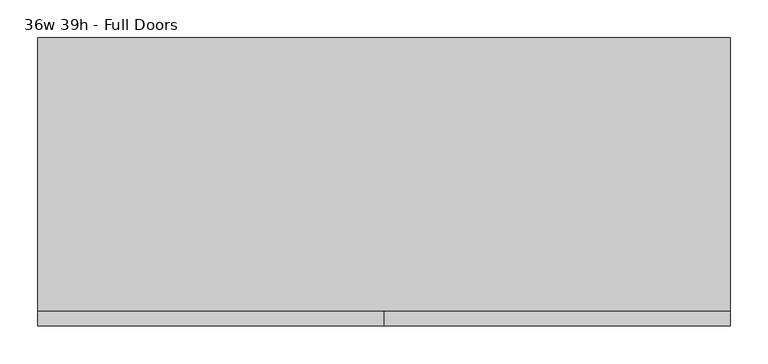
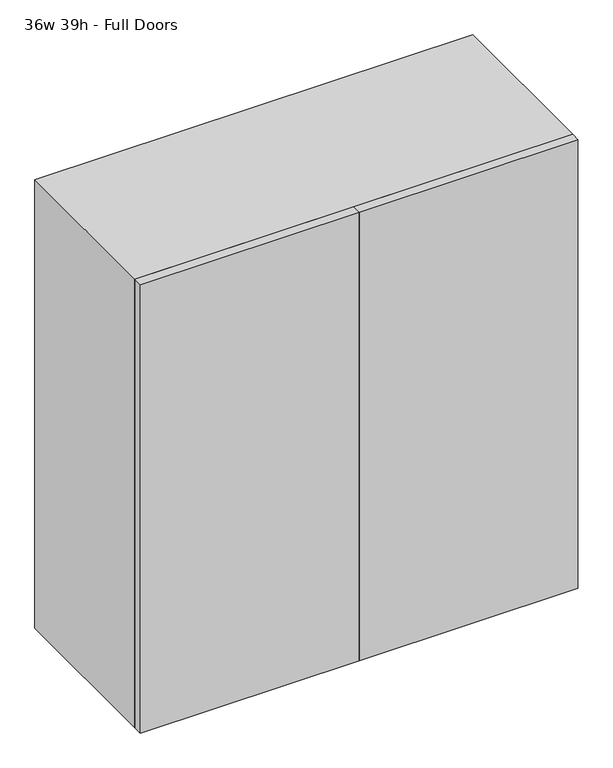
"""IFC4 building model written with IfcOpenShell, lengths in millimetres: furniture geometry, 36w 39h - Full Doors."""

import ifcopenshell
import ifcopenshell.guid

model = None  # the IFC model being written
_history = None  # IfcOwnerHistory: only IFC2X3 demands one
_inside = {}  # id of a spatial element -> (the spatial element, [elements in it])
_under = {}  # id of a project, library or spatial element -> (it, [spatial elements below it])
_declared = {}  # id of a project -> (the project, [libraries it declares])
_typed = {}  # id of a type object -> (the type object, [elements of that type])
_made_of = {}  # id of a material, layer set ... -> (it, [elements and type objects made of it])


def new_model(schema):
    """Start an empty IFC model of exactly this schema.

    Asked for "IFC4X3", IfcOpenShell would pick the latest addendum, in which some entities
    have other attributes; the version numbers below select the first issue.
    IFC2X3 requires an IfcOwnerHistory on every rooted entity: one is made here for all.
    """
    global model, _history
    if schema == "IFC4X3":
        model = ifcopenshell.file(schema_version=(4, 3, 0, 0))
    else:
        model = ifcopenshell.file(schema=schema)
    _inside.clear()
    _under.clear()
    _declared.clear()
    _typed.clear()
    _made_of.clear()
    _history = None
    if model.schema == "IFC2X3":
        org = make("IfcOrganization", Name="unknown")
        user = make(
            "IfcPersonAndOrganization",
            ThePerson=make("IfcPerson", FamilyName="unknown"),
            TheOrganization=org,
        )
        app = make(
            "IfcApplication",
            ApplicationDeveloper=org,
            Version="unknown",
            ApplicationFullName="unknown",
            ApplicationIdentifier="unknown",
        )
        _history = make(
            "IfcOwnerHistory",
            OwningUser=user,
            OwningApplication=app,
            ChangeAction="ADDED",
            CreationDate=0,
        )
    return model


def make(cls, **values):
    """One entity of the class cls with the attributes given. An attribute that is None is left unset."""
    return model.create_entity(
        cls, **{name: value for name, value in values.items() if value is not None}
    )


def rooted(cls, **values):
    """An entity with a GlobalId (a new one), such as an element, a storey or a relation."""
    return make(cls, GlobalId=ifcopenshell.guid.new(), OwnerHistory=_history, **values)


def si_unit(unit_type, name, prefix=None):
    """IfcSIUnit, for example si_unit("LENGTHUNIT", "METRE", prefix="MILLI")."""
    return make("IfcSIUnit", UnitType=unit_type, Prefix=prefix, Name=name)


def assignment(units):
    """IfcUnitAssignment: the units of a project."""
    return None if units is None else make("IfcUnitAssignment", Units=units)


def point(xyz):
    """IfcCartesianPoint."""
    return None if xyz is None else make("IfcCartesianPoint", Coordinates=xyz)


def direction(xyz):
    """IfcDirection."""
    return None if xyz is None else make("IfcDirection", DirectionRatios=xyz)


def frame(location, z_axis=None, x_axis=None):
    """IfcAxis2Placement3D, a coordinate frame: its origin and axes. An axis left out is left unset."""
    return make(
        "IfcAxis2Placement3D",
        Location=point(location),
        Axis=direction(z_axis),
        RefDirection=direction(x_axis),
    )


def origin():
    """The frame at (0, 0, 0) with its axes left unset."""
    return frame((0.0, 0.0, 0.0))


def place(relative_to, where):
    """IfcLocalPlacement: puts the frame where relative to a parent placement (None: the world)."""
    return make(
        "IfcLocalPlacement", PlacementRelTo=relative_to, RelativePlacement=where
    )


def context(
    kind, dimensions, precision=None, world=None, true_north=None, identifier=None
):
    """IfcGeometricRepresentationContext, for example the 3D "Model" context."""
    return make(
        "IfcGeometricRepresentationContext",
        ContextIdentifier=identifier,
        ContextType=kind,
        CoordinateSpaceDimension=dimensions,
        Precision=precision,
        WorldCoordinateSystem=world,
        TrueNorth=true_north,
    )


def project(units=None, contexts=None):
    """IfcProject with its units and contexts."""
    return rooted(
        "IfcProject",
        Name="project",
        RepresentationContexts=contexts,
        UnitsInContext=assignment(units),
    )


def spatial(cls, under=None, at=None, **own):
    """A site, building, storey or space (cls), placed at a placement, below another one or the project."""
    s = rooted(cls, ObjectPlacement=at, **own)
    if under is not None:
        _under.setdefault(under.id(), (under, []))[1].append(s)
    return s


def polyline(points):
    """IfcPolyline through the points."""
    return make("IfcPolyline", Points=[point(p) for p in points])


def outline(outer, holes=None, kind="AREA"):
    """IfcArbitraryClosedProfileDef: a profile drawn as a closed curve; with holes, ...WithVoids."""
    if holes is None:
        return make("IfcArbitraryClosedProfileDef", ProfileType=kind, OuterCurve=outer)
    return make(
        "IfcArbitraryProfileDefWithVoids",
        ProfileType=kind,
        OuterCurve=outer,
        InnerCurves=holes,
    )


def extrude(swept, where, along, depth):
    """IfcExtrudedAreaSolid: the profile swept, set in the frame where, extruded along a direction by depth."""
    return make(
        "IfcExtrudedAreaSolid",
        SweptArea=swept,
        Position=where,
        ExtrudedDirection=direction(along),
        Depth=depth,
    )


def shape(context_of_items, identifier, shape_type, items):
    """IfcShapeRepresentation: the items that make up one representation, for example the "Body"."""
    return make(
        "IfcShapeRepresentation",
        ContextOfItems=context_of_items,
        RepresentationIdentifier=identifier,
        RepresentationType=shape_type,
        Items=items,
    )


def source(mapping_origin, context_of_items, identifier, shape_type, items):
    """IfcRepresentationMap: a shape defined once, which mapped items show again and again."""
    return make(
        "IfcRepresentationMap",
        MappingOrigin=mapping_origin,
        MappedRepresentation=shape(context_of_items, identifier, shape_type, items),
    )


def transform(
    local_origin,
    x_axis=None,
    y_axis=None,
    z_axis=None,
    scale=None,
    scale2=None,
    scale3=None,
    uniform=True,
):
    """IfcCartesianTransformationOperator3D, or its non-uniform kind. x_axis, y_axis, z_axis: its Axis1, 2, 3."""
    if uniform:
        return make(
            "IfcCartesianTransformationOperator3D",
            Axis1=direction(x_axis),
            Axis2=direction(y_axis),
            LocalOrigin=point(local_origin),
            Scale=scale,
            Axis3=direction(z_axis),
        )
    return make(
        "IfcCartesianTransformationOperator3DnonUniform",
        Axis1=direction(x_axis),
        Axis2=direction(y_axis),
        LocalOrigin=point(local_origin),
        Scale=scale,
        Axis3=direction(z_axis),
        Scale2=scale2,
        Scale3=scale3,
    )


def mapped(mapping_source, mapping_target):
    """IfcMappedItem: shows the shape of a source again, moved by a transform."""
    return make(
        "IfcMappedItem", MappingSource=mapping_source, MappingTarget=mapping_target
    )


def made_of(thing, what):
    """Note that an element or type object is made of a material, layer set ...; save() writes the relation."""
    if what is not None:
        _made_of.setdefault(what.id(), (what, []))[1].append(thing)
    return thing


def element(
    cls,
    number,
    at=None,
    inside=None,
    cuts=None,
    type_object=None,
    material=None,
    context=None,
    identifier="Body",
    shape_type=None,
    held_by="IfcProductDefinitionShape",
    body=None,
    shapes=None,
    **own,
):
    """One element of the class cls, such as IfcWall. Its Tag is "e" and its number.

    at: its placement. inside: the storey or other place that contains it. cuts: it is an
    opening in that element (IfcRelVoidsElement). A single representation is given by context,
    identifier, shape_type and body (its items); several are given by shapes. held_by: the class
    of the entity that holds the representations. save() writes the other relations.
    """
    e = rooted(cls, Tag="e%d" % number, ObjectPlacement=at, **own)
    if body is not None:
        shapes = [shape(context, identifier, shape_type, body)]
    if shapes is not None:
        e.Representation = make(held_by, Representations=shapes)
    if inside is not None:
        _inside.setdefault(inside.id(), (inside, []))[1].append(e)
    if cuts is not None:
        rooted(
            "IfcRelVoidsElement", RelatingBuildingElement=cuts, RelatedOpeningElement=e
        )
    if type_object is not None:
        _typed.setdefault(type_object.id(), (type_object, []))[1].append(e)
    return made_of(e, material)


def aggregate(whole, parts):
    """IfcRelAggregates: a whole, such as a stair, and the parts it consists of."""
    return rooted("IfcRelAggregates", RelatingObject=whole, RelatedObjects=parts)


def save(model, path):
    """Write the relations noted so far, then the file.

    IfcRelAggregates (storeys below a building ...), IfcRelContainedInSpatialStructure (elements
    in a storey), IfcRelDefinesByType, IfcRelAssociatesMaterial and IfcRelDeclares: one each for
    every whole, place, type object, material and project.
    """
    for whole, parts in _under.values():
        aggregate(whole, parts)
    for where, things in _inside.values():
        rooted(
            "IfcRelContainedInSpatialStructure",
            RelatedElements=things,
            RelatingStructure=where,
        )
    for kind, things in _typed.values():
        rooted("IfcRelDefinesByType", RelatedObjects=things, RelatingType=kind)
    for what, things in _made_of.values():
        rooted("IfcRelAssociatesMaterial", RelatedObjects=things, RelatingMaterial=what)
    for by, libraries in _declared.values():
        rooted("IfcRelDeclares", RelatingContext=by, RelatedDefinitions=libraries)
    model.write(path)


def furniture_36w_39h_full_doors_5e74c6d6(model_context):
    return source(origin(), model_context, "Body", "SweptSolid", [
        extrude(outline(polyline([(438.1569453, 161.925), (438.1569453, -180.975), (-438.1291641, -180.975), (-438.1291641, 161.925), (438.1569453, 161.925)])), frame((0.0, 0.0, 1393.825), z_axis=(0.0, 0.0, 1.0), x_axis=(1.0, 0.0, 0.0)), (0.0, 0.0, 1.0), 19.05),
        extrude(outline(polyline([(438.1569453, 161.925), (438.1569453, -180.975), (-438.1291641, -180.975), (-438.1291641, 161.925), (438.1569453, 161.925)])), frame((0.0, 0.0, 1050.925), z_axis=(0.0, 0.0, 1.0), x_axis=(1.0, 0.0, 0.0)), (0.0, 0.0, 1.0), 19.05),
        extrude(outline(polyline([(0.0138906, -200.025), (0.0138906, -180.975), (457.2138906, -180.975), (457.2138906, -200.025), (0.0138906, -200.025)])), frame((0.0, 0.0, 736.6), z_axis=(0.0, 0.0, 1.0), x_axis=(1.0, 0.0, 0.0)), (0.0, 0.0, 1.0), 990.6),
        extrude(outline(polyline([(0.0138906, -200.025), (-457.1861094, -200.025), (-457.1861094, -180.975), (0.0138906, -180.975), (0.0138906, -200.025)])), frame((0.0, 0.0, 736.6), z_axis=(0.0, 0.0, 1.0), x_axis=(1.0, 0.0, 0.0)), (0.0, 0.0, 1.0), 990.6),
        extrude(outline(polyline([(736.6, -457.1861094), (736.6, 457.2138906), (1727.2, 457.2138906), (1727.2, -457.1861094), (736.6, -457.1861094)]), holes=[polyline([(755.65, -438.1361094), (1708.15, -438.1361094), (1708.15, 438.1569453), (755.65, 438.1569453), (755.65, -438.1361094)])]), frame((0.0, -180.975, 0.0), z_axis=(0.0, 1.0, 0.0), x_axis=(0.0, 0.0, 1.0)), (0.0, 0.0, 1.0), 361.95),
        extrude(outline(polyline([(-438.1291641, 161.925), (-438.1291641, 180.975), (438.1569453, 180.975), (438.1569453, 161.925), (-438.1291641, 161.925)])), frame((0.0, 0.0, 755.65), z_axis=(0.0, 0.0, 1.0), x_axis=(1.0, 0.0, 0.0)), (0.0, 0.0, 1.0), 952.5),
    ])


if __name__ == "__main__":
    model = new_model("IFC4")
    model_context = context("Model", 3, world=origin())
    ifc_project = project(units=[si_unit("LENGTHUNIT", "METRE", prefix="MILLI")], contexts=[model_context])
    site = spatial("IfcSite", under=ifc_project)
    building = spatial("IfcBuilding", under=site)
    placement = place(None, origin())
    furniture_36w_39h_full_doors_shape = furniture_36w_39h_full_doors_5e74c6d6(model_context)
    element("IfcFurniture", 1, ObjectType="36w 39h - Full Doors", at=placement, inside=building, context=model_context, shape_type="MappedRepresentation", body=[
        mapped(furniture_36w_39h_full_doors_shape, transform((0.0, 0.0, 0.0), x_axis=(1.0, 0.0, 0.0), y_axis=(0.0, 1.0, 0.0), z_axis=(0.0, 0.0, 1.0))),
    ])
    save(model, "model.ifc")
